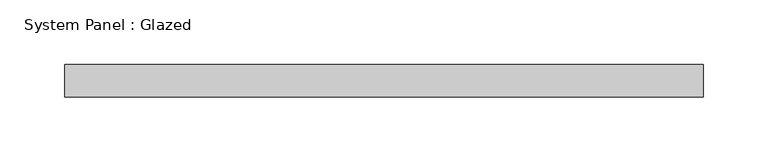
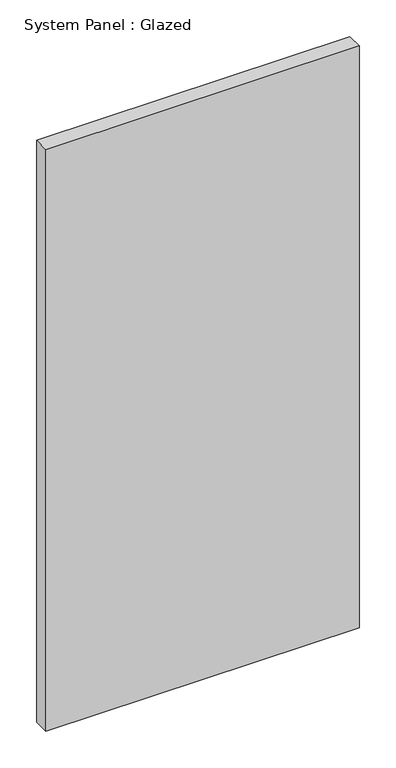
"""IFC4 building model written with IfcOpenShell, lengths in millimetres: plate geometry, System Panel : Glazed."""

from ifc_helpers import new_model, si_unit, origin, origin_with_axes, place, context, project, spatial, polyline, outline, extrude, source, transform, mapped, element, save


def system_panel_glazed_c64a2d83(model_context):
    return source(origin(), model_context, "Body", "SweptSolid", [
        extrude(outline(polyline([(247.5163511, 19.05), (-247.5163511, 19.05), (-247.5163511, 44.45), (247.5163511, 44.45), (247.5163511, 19.05)])), origin_with_axes(), (0.0, 0.0, 1.0), 971.55),
    ])


if __name__ == "__main__":
    model = new_model("IFC4")
    model_context = context("Model", 3, world=origin())
    ifc_project = project(units=[si_unit("LENGTHUNIT", "METRE", prefix="MILLI")], contexts=[model_context])
    site = spatial("IfcSite", under=ifc_project)
    building = spatial("IfcBuilding", under=site)
    placement = place(None, origin())
    system_panel_glazed_shape = system_panel_glazed_c64a2d83(model_context)
    element("IfcPlate", 1, ObjectType="System Panel : Glazed", at=placement, inside=building, context=model_context, shape_type="MappedRepresentation", body=[
        mapped(system_panel_glazed_shape, transform((0.0, 0.0, 0.0), x_axis=(1.0, 0.0, 0.0), y_axis=(0.0, 1.0, 0.0), z_axis=(0.0, 0.0, 1.0))),
    ])
    save(model, "model.ifc")
